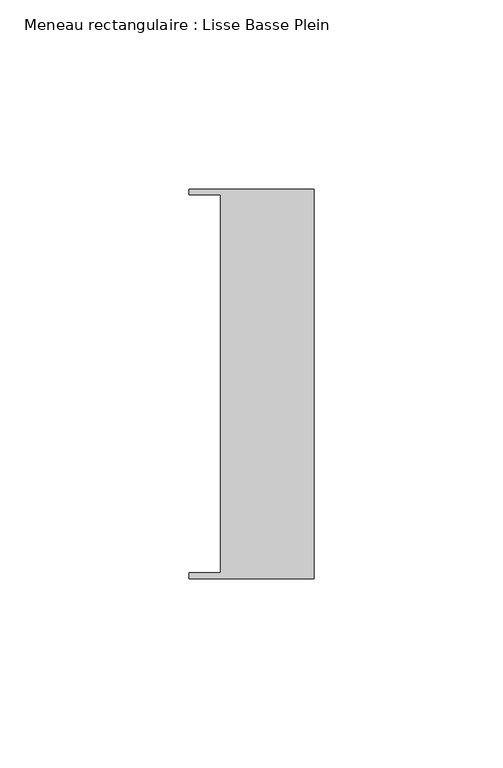
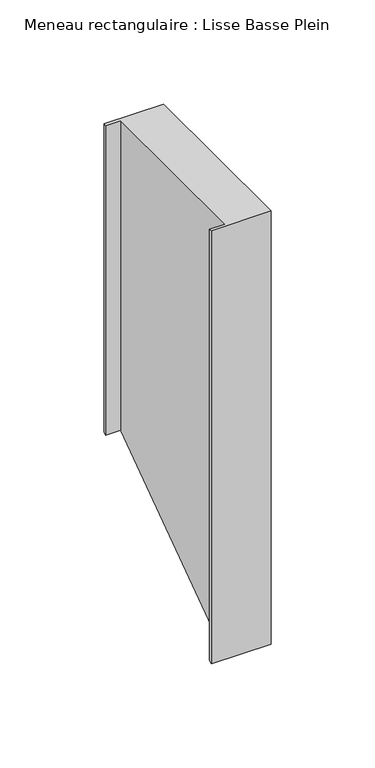
"""IFC4 building model written with IfcOpenShell, lengths in millimetres: member geometry, Meneau rectangulaire : Lisse Basse Plein."""

import ifcopenshell
import ifcopenshell.guid

model = None  # the IFC model being written
_history = None  # IfcOwnerHistory: only IFC2X3 demands one
_inside = {}  # id of a spatial element -> (the spatial element, [elements in it])
_under = {}  # id of a project, library or spatial element -> (it, [spatial elements below it])
_declared = {}  # id of a project -> (the project, [libraries it declares])
_typed = {}  # id of a type object -> (the type object, [elements of that type])
_made_of = {}  # id of a material, layer set ... -> (it, [elements and type objects made of it])


def new_model(schema):
    """Start an empty IFC model of exactly this schema.

    Asked for "IFC4X3", IfcOpenShell would pick the latest addendum, in which some entities
    have other attributes; the version numbers below select the first issue.
    IFC2X3 requires an IfcOwnerHistory on every rooted entity: one is made here for all.
    """
    global model, _history
    if schema == "IFC4X3":
        model = ifcopenshell.file(schema_version=(4, 3, 0, 0))
    else:
        model = ifcopenshell.file(schema=schema)
    _inside.clear()
    _under.clear()
    _declared.clear()
    _typed.clear()
    _made_of.clear()
    _history = None
    if model.schema == "IFC2X3":
        org = make("IfcOrganization", Name="unknown")
        user = make(
            "IfcPersonAndOrganization",
            ThePerson=make("IfcPerson", FamilyName="unknown"),
            TheOrganization=org,
        )
        app = make(
            "IfcApplication",
            ApplicationDeveloper=org,
            Version="unknown",
            ApplicationFullName="unknown",
            ApplicationIdentifier="unknown",
        )
        _history = make(
            "IfcOwnerHistory",
            OwningUser=user,
            OwningApplication=app,
            ChangeAction="ADDED",
            CreationDate=0,
        )
    return model


def make(cls, **values):
    """One entity of the class cls with the attributes given. An attribute that is None is left unset."""
    return model.create_entity(
        cls, **{name: value for name, value in values.items() if value is not None}
    )


def rooted(cls, **values):
    """An entity with a GlobalId (a new one), such as an element, a storey or a relation."""
    return make(cls, GlobalId=ifcopenshell.guid.new(), OwnerHistory=_history, **values)


def si_unit(unit_type, name, prefix=None):
    """IfcSIUnit, for example si_unit("LENGTHUNIT", "METRE", prefix="MILLI")."""
    return make("IfcSIUnit", UnitType=unit_type, Prefix=prefix, Name=name)


def assignment(units):
    """IfcUnitAssignment: the units of a project."""
    return None if units is None else make("IfcUnitAssignment", Units=units)


def point(xyz):
    """IfcCartesianPoint."""
    return None if xyz is None else make("IfcCartesianPoint", Coordinates=xyz)


def direction(xyz):
    """IfcDirection."""
    return None if xyz is None else make("IfcDirection", DirectionRatios=xyz)


def frame(location, z_axis=None, x_axis=None):
    """IfcAxis2Placement3D, a coordinate frame: its origin and axes. An axis left out is left unset."""
    return make(
        "IfcAxis2Placement3D",
        Location=point(location),
        Axis=direction(z_axis),
        RefDirection=direction(x_axis),
    )


def origin():
    """The frame at (0, 0, 0) with its axes left unset."""
    return frame((0.0, 0.0, 0.0))


def place(relative_to, where):
    """IfcLocalPlacement: puts the frame where relative to a parent placement (None: the world)."""
    return make(
        "IfcLocalPlacement", PlacementRelTo=relative_to, RelativePlacement=where
    )


def context(
    kind, dimensions, precision=None, world=None, true_north=None, identifier=None
):
    """IfcGeometricRepresentationContext, for example the 3D "Model" context."""
    return make(
        "IfcGeometricRepresentationContext",
        ContextIdentifier=identifier,
        ContextType=kind,
        CoordinateSpaceDimension=dimensions,
        Precision=precision,
        WorldCoordinateSystem=world,
        TrueNorth=true_north,
    )


def project(units=None, contexts=None):
    """IfcProject with its units and contexts."""
    return rooted(
        "IfcProject",
        Name="project",
        RepresentationContexts=contexts,
        UnitsInContext=assignment(units),
    )


def spatial(cls, under=None, at=None, **own):
    """A site, building, storey or space (cls), placed at a placement, below another one or the project."""
    s = rooted(cls, ObjectPlacement=at, **own)
    if under is not None:
        _under.setdefault(under.id(), (under, []))[1].append(s)
    return s


def faces_of(points, faces, orient=None, outer=None):
    """IfcFace entities. A face is a list of loops; a loop is a list of indices into points, from 0.

    orient and outer hold one flag for each loop. By default every Orientation is true, the
    first loop of a face is its IfcFaceOuterBound and the others are IfcFaceBound.
    """
    made = []
    for i, loops in enumerate(faces):
        bounds = []
        for j, loop in enumerate(loops):
            is_outer = j == 0 if outer is None else outer[i][j]
            bounds.append(
                make(
                    "IfcFaceOuterBound" if is_outer else "IfcFaceBound",
                    Bound=make("IfcPolyLoop", Polygon=[points[k] for k in loop]),
                    Orientation=True if orient is None else orient[i][j],
                )
            )
        made.append(make("IfcFace", Bounds=bounds))
    return made


def faceted_brep(points, faces, orient=None, outer=None, voids=None):
    """IfcFacetedBrep: a solid bounded by flat faces; with voids (closed shells), ...WithVoids."""
    shared = [point(p) for p in points]
    hull = make("IfcClosedShell", CfsFaces=faces_of(shared, faces, orient, outer))
    if voids is None:
        return make("IfcFacetedBrep", Outer=hull)
    return make(
        "IfcFacetedBrepWithVoids",
        Outer=hull,
        Voids=[
            make(cls, CfsFaces=faces_of(shared, fs, o, b)) for cls, fs, o, b in voids
        ],
    )


def shape(context_of_items, identifier, shape_type, items):
    """IfcShapeRepresentation: the items that make up one representation, for example the "Body"."""
    return make(
        "IfcShapeRepresentation",
        ContextOfItems=context_of_items,
        RepresentationIdentifier=identifier,
        RepresentationType=shape_type,
        Items=items,
    )


def source(mapping_origin, context_of_items, identifier, shape_type, items):
    """IfcRepresentationMap: a shape defined once, which mapped items show again and again."""
    return make(
        "IfcRepresentationMap",
        MappingOrigin=mapping_origin,
        MappedRepresentation=shape(context_of_items, identifier, shape_type, items),
    )


def transform(
    local_origin,
    x_axis=None,
    y_axis=None,
    z_axis=None,
    scale=None,
    scale2=None,
    scale3=None,
    uniform=True,
):
    """IfcCartesianTransformationOperator3D, or its non-uniform kind. x_axis, y_axis, z_axis: its Axis1, 2, 3."""
    if uniform:
        return make(
            "IfcCartesianTransformationOperator3D",
            Axis1=direction(x_axis),
            Axis2=direction(y_axis),
            LocalOrigin=point(local_origin),
            Scale=scale,
            Axis3=direction(z_axis),
        )
    return make(
        "IfcCartesianTransformationOperator3DnonUniform",
        Axis1=direction(x_axis),
        Axis2=direction(y_axis),
        LocalOrigin=point(local_origin),
        Scale=scale,
        Axis3=direction(z_axis),
        Scale2=scale2,
        Scale3=scale3,
    )


def mapped(mapping_source, mapping_target):
    """IfcMappedItem: shows the shape of a source again, moved by a transform."""
    return make(
        "IfcMappedItem", MappingSource=mapping_source, MappingTarget=mapping_target
    )


def made_of(thing, what):
    """Note that an element or type object is made of a material, layer set ...; save() writes the relation."""
    if what is not None:
        _made_of.setdefault(what.id(), (what, []))[1].append(thing)
    return thing


def element(
    cls,
    number,
    at=None,
    inside=None,
    cuts=None,
    type_object=None,
    material=None,
    context=None,
    identifier="Body",
    shape_type=None,
    held_by="IfcProductDefinitionShape",
    body=None,
    shapes=None,
    **own,
):
    """One element of the class cls, such as IfcWall. Its Tag is "e" and its number.

    at: its placement. inside: the storey or other place that contains it. cuts: it is an
    opening in that element (IfcRelVoidsElement). A single representation is given by context,
    identifier, shape_type and body (its items); several are given by shapes. held_by: the class
    of the entity that holds the representations. save() writes the other relations.
    """
    e = rooted(cls, Tag="e%d" % number, ObjectPlacement=at, **own)
    if body is not None:
        shapes = [shape(context, identifier, shape_type, body)]
    if shapes is not None:
        e.Representation = make(held_by, Representations=shapes)
    if inside is not None:
        _inside.setdefault(inside.id(), (inside, []))[1].append(e)
    if cuts is not None:
        rooted(
            "IfcRelVoidsElement", RelatingBuildingElement=cuts, RelatedOpeningElement=e
        )
    if type_object is not None:
        _typed.setdefault(type_object.id(), (type_object, []))[1].append(e)
    return made_of(e, material)


def aggregate(whole, parts):
    """IfcRelAggregates: a whole, such as a stair, and the parts it consists of."""
    return rooted("IfcRelAggregates", RelatingObject=whole, RelatedObjects=parts)


def save(model, path):
    """Write the relations noted so far, then the file.

    IfcRelAggregates (storeys below a building ...), IfcRelContainedInSpatialStructure (elements
    in a storey), IfcRelDefinesByType, IfcRelAssociatesMaterial and IfcRelDeclares: one each for
    every whole, place, type object, material and project.
    """
    for whole, parts in _under.values():
        aggregate(whole, parts)
    for where, things in _inside.values():
        rooted(
            "IfcRelContainedInSpatialStructure",
            RelatedElements=things,
            RelatingStructure=where,
        )
    for kind, things in _typed.values():
        rooted("IfcRelDefinesByType", RelatedObjects=things, RelatingType=kind)
    for what, things in _made_of.values():
        rooted("IfcRelAssociatesMaterial", RelatedObjects=things, RelatingMaterial=what)
    for by, libraries in _declared.values():
        rooted("IfcRelDeclares", RelatingContext=by, RelatedDefinitions=libraries)
    model.write(path)


def meneau_rectangulaire_lisse_basse_plein_266c1c4c(model_context):
    return source(origin(), model_context, "Body", "Brep", [
        faceted_brep([(0.0, -51.5026203, 0.0), (0.0, 51.5026203, 0.0), (-33.0710396, 51.5026203, 0.0), (-33.0710396, 49.9505686, 0.0), (-24.7130865, 49.9505686, 0.0), (-24.7130865, -49.9505686, 0.0), (-33.0710396, -49.9505686, 0.0), (-33.0710396, -51.5026203, 0.0), (0.0, -51.5026203, -253.7261211), (0.0, 51.5026203, -180.2531971), (-33.0710396, 51.5026203, -180.2531971), (-33.0710396, 49.9505686, -181.3602648), (-24.7130865, 49.9505686, -181.3602648), (-24.7130865, -49.9505686, -252.6190534), (-33.0710396, -49.9505686, -252.6190534), (-33.0710396, -51.5026203, -253.7261211)], [[[0, 1, 2, 3, 4, 5, 6, 7]], [[1, 0, 8, 9]], [[2, 1, 9, 10]], [[3, 2, 10, 11]], [[4, 3, 11, 12]], [[5, 4, 12, 13]], [[6, 5, 13, 14]], [[7, 6, 14, 15]], [[0, 7, 15, 8]], [[8, 15, 14, 13, 12, 11, 10, 9]]]),
    ])


if __name__ == "__main__":
    model = new_model("IFC4")
    model_context = context("Model", 3, world=origin())
    ifc_project = project(units=[si_unit("LENGTHUNIT", "METRE", prefix="MILLI")], contexts=[model_context])
    site = spatial("IfcSite", under=ifc_project)
    building = spatial("IfcBuilding", under=site)
    placement = place(None, origin())
    meneau_rectangulaire_lisse_basse_plein_shape = meneau_rectangulaire_lisse_basse_plein_266c1c4c(model_context)
    element("IfcMember", 1, ObjectType="Meneau rectangulaire : Lisse Basse Plein", at=placement, inside=building, context=model_context, shape_type="MappedRepresentation", body=[
        mapped(meneau_rectangulaire_lisse_basse_plein_shape, transform((0.0, 0.0, 0.0), x_axis=(1.0, 0.0, 0.0), y_axis=(0.0, 1.0, 0.0), z_axis=(0.0, 0.0, 1.0))),
    ])
    save(model, "model.ifc")
